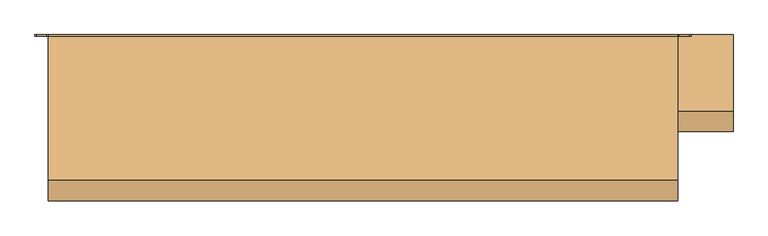
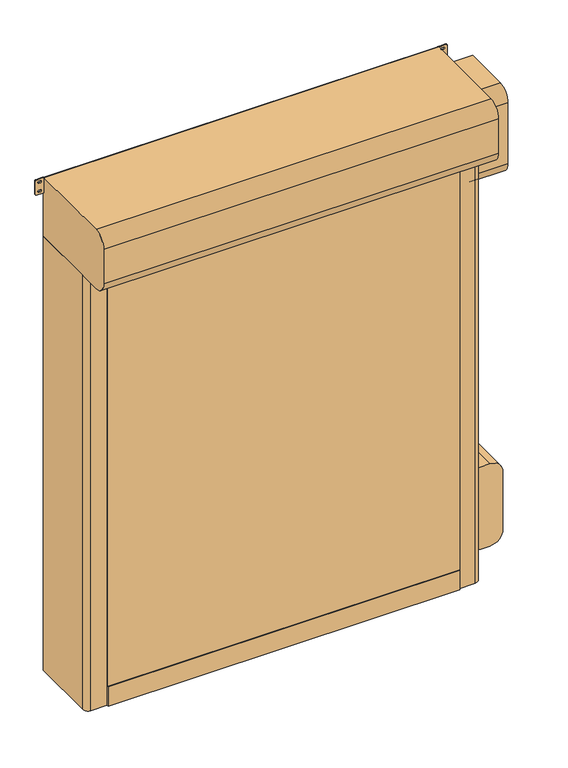
"""IFC4 building model written with IfcOpenShell, lengths in millimetres: door geometry."""

from ifc_helpers import new_model, si_unit, point, frame, frame_2d, origin, origin_with_axes, place, context, project, spatial, polyline, circle_curve, trimmed, segment, composite_curve, outline, extrude, source, transform, mapped, element, save


def door_ffd00a84(model_context):
    return source(origin(), model_context, "Body", "SweptSolid", [
        extrude(outline(polyline([(-1012.0, -421.5), (1012.0, -421.5), (1012.0, -428.5), (-1012.0, -428.5), (-1012.0, -421.5)])), frame((0.0, 0.0, 120.0), z_axis=(0.0, 0.0, 1.0), x_axis=(1.0, 0.0, 0.0)), (0.0, 0.0, 1.0), 2700.0),
        extrude(outline(polyline([(-1012.0, -419.5), (1012.0, -419.5), (1012.0, -430.5), (-1012.0, -430.5), (-1012.0, -419.5)])), origin_with_axes(), (0.0, 0.0, 1.0), 120.0),
        extrude(outline(composite_curve([segment(trimmed(circle_curve(frame_2d((1905.0, 1071.0)), 6.0), [point((1911.0, 1071.0))], [point((1899.0, 1071.0))], False, "CARTESIAN"), True, "CONTINUOUS"), segment(polyline([(1899.0, 1071.0), (1899.0, 1089.0)]), True, "CONTINUOUS"), segment(trimmed(circle_curve(frame_2d((1905.0, 1089.0)), 6.0), [point((1899.0, 1089.0))], [point((1911.0, 1089.0))], False, "CARTESIAN"), True, "CONTINUOUS"), segment(polyline([(1911.0, 1089.0), (1911.0, 1071.0)]), True, "CONTINUOUS")], self_intersect=False)), frame((0.0, -20.0, 0.0), z_axis=(0.0, 1.0, 0.0), x_axis=(0.0, 0.0, 1.0)), (0.0, 0.0, 1.0), 20.0),
        extrude(outline(composite_curve([segment(trimmed(circle_curve(frame_2d((1320.0, 1071.0)), 6.0), [point((1326.0, 1071.0))], [point((1314.0, 1071.0))], False, "CARTESIAN"), True, "CONTINUOUS"), segment(polyline([(1314.0, 1071.0), (1314.0, 1089.0)]), True, "CONTINUOUS"), segment(trimmed(circle_curve(frame_2d((1320.0, 1089.0)), 6.0), [point((1314.0, 1089.0))], [point((1326.0, 1089.0))], False, "CARTESIAN"), True, "CONTINUOUS"), segment(polyline([(1326.0, 1089.0), (1326.0, 1071.0)]), True, "CONTINUOUS")], self_intersect=False)), frame((0.0, -20.0, 0.0), z_axis=(0.0, 1.0, 0.0), x_axis=(0.0, 0.0, 1.0)), (0.0, 0.0, 1.0), 20.0),
        extrude(outline(composite_curve([segment(trimmed(circle_curve(frame_2d((735.0, 1071.0)), 6.0), [point((741.0, 1071.0))], [point((729.0, 1071.0))], False, "CARTESIAN"), True, "CONTINUOUS"), segment(polyline([(729.0, 1071.0), (729.0, 1089.0)]), True, "CONTINUOUS"), segment(trimmed(circle_curve(frame_2d((735.0, 1089.0)), 6.0), [point((729.0, 1089.0))], [point((741.0, 1089.0))], False, "CARTESIAN"), True, "CONTINUOUS"), segment(polyline([(741.0, 1089.0), (741.0, 1071.0)]), True, "CONTINUOUS")], self_intersect=False)), frame((0.0, -20.0, 0.0), z_axis=(0.0, 1.0, 0.0), x_axis=(0.0, 0.0, 1.0)), (0.0, 0.0, 1.0), 20.0),
        extrude(outline(composite_curve([segment(trimmed(circle_curve(frame_2d((2490.0, 1071.0)), 6.0), [point((2496.0, 1071.0))], [point((2484.0, 1071.0))], False, "CARTESIAN"), True, "CONTINUOUS"), segment(polyline([(2484.0, 1071.0), (2484.0, 1089.0)]), True, "CONTINUOUS"), segment(trimmed(circle_curve(frame_2d((2490.0, 1089.0)), 6.0), [point((2484.0, 1089.0))], [point((2496.0, 1089.0))], False, "CARTESIAN"), True, "CONTINUOUS"), segment(polyline([(2496.0, 1089.0), (2496.0, 1071.0)]), True, "CONTINUOUS")], self_intersect=False)), frame((0.0, -20.0, 0.0), z_axis=(0.0, 1.0, 0.0), x_axis=(0.0, 0.0, 1.0)), (0.0, 0.0, 1.0), 20.0),
        extrude(outline(composite_curve([segment(trimmed(circle_curve(frame_2d((150.0, 1071.0)), 6.0), [point((156.0, 1071.0))], [point((144.0, 1071.0))], False, "CARTESIAN"), True, "CONTINUOUS"), segment(polyline([(144.0, 1071.0), (144.0, 1089.0)]), True, "CONTINUOUS"), segment(trimmed(circle_curve(frame_2d((150.0, 1089.0)), 6.0), [point((144.0, 1089.0))], [point((156.0, 1089.0))], False, "CARTESIAN"), True, "CONTINUOUS"), segment(polyline([(156.0, 1089.0), (156.0, 1071.0)]), True, "CONTINUOUS")], self_intersect=False)), frame((0.0, -20.0, 0.0), z_axis=(0.0, 1.0, 0.0), x_axis=(0.0, 0.0, 1.0)), (0.0, 0.0, 1.0), 20.0),
        extrude(outline(composite_curve([segment(polyline([(1911.0, -1071.0), (1911.0, -1089.0)]), True, "CONTINUOUS"), segment(trimmed(circle_curve(frame_2d((1905.0, -1089.0)), 6.0), [point((1911.0, -1089.0))], [point((1899.0, -1089.0))], False, "CARTESIAN"), True, "CONTINUOUS"), segment(polyline([(1899.0, -1089.0), (1899.0, -1071.0)]), True, "CONTINUOUS"), segment(trimmed(circle_curve(frame_2d((1905.0, -1071.0)), 6.0), [point((1899.0, -1071.0))], [point((1911.0, -1071.0))], False, "CARTESIAN"), True, "CONTINUOUS")], self_intersect=False)), frame((0.0, -20.0, 0.0), z_axis=(0.0, 1.0, 0.0), x_axis=(0.0, 0.0, 1.0)), (0.0, 0.0, 1.0), 20.0),
        extrude(outline(composite_curve([segment(polyline([(1326.0, -1071.0), (1326.0, -1089.0)]), True, "CONTINUOUS"), segment(trimmed(circle_curve(frame_2d((1320.0, -1089.0)), 6.0), [point((1326.0, -1089.0))], [point((1314.0, -1089.0))], False, "CARTESIAN"), True, "CONTINUOUS"), segment(polyline([(1314.0, -1089.0), (1314.0, -1071.0)]), True, "CONTINUOUS"), segment(trimmed(circle_curve(frame_2d((1320.0, -1071.0)), 6.0), [point((1314.0, -1071.0))], [point((1326.0, -1071.0))], False, "CARTESIAN"), True, "CONTINUOUS")], self_intersect=False)), frame((0.0, -20.0, 0.0), z_axis=(0.0, 1.0, 0.0), x_axis=(0.0, 0.0, 1.0)), (0.0, 0.0, 1.0), 20.0),
        extrude(outline(composite_curve([segment(polyline([(741.0, -1071.0), (741.0, -1089.0)]), True, "CONTINUOUS"), segment(trimmed(circle_curve(frame_2d((735.0, -1089.0)), 6.0), [point((741.0, -1089.0))], [point((729.0, -1089.0))], False, "CARTESIAN"), True, "CONTINUOUS"), segment(polyline([(729.0, -1089.0), (729.0, -1071.0)]), True, "CONTINUOUS"), segment(trimmed(circle_curve(frame_2d((735.0, -1071.0)), 6.0), [point((729.0, -1071.0))], [point((741.0, -1071.0))], False, "CARTESIAN"), True, "CONTINUOUS")], self_intersect=False)), frame((0.0, -20.0, 0.0), z_axis=(0.0, 1.0, 0.0), x_axis=(0.0, 0.0, 1.0)), (0.0, 0.0, 1.0), 20.0),
        extrude(outline(composite_curve([segment(polyline([(2496.0, -1071.0), (2496.0, -1089.0)]), True, "CONTINUOUS"), segment(trimmed(circle_curve(frame_2d((2490.0, -1089.0)), 6.0), [point((2496.0, -1089.0))], [point((2484.0, -1089.0))], False, "CARTESIAN"), True, "CONTINUOUS"), segment(polyline([(2484.0, -1089.0), (2484.0, -1071.0)]), True, "CONTINUOUS"), segment(trimmed(circle_curve(frame_2d((2490.0, -1071.0)), 6.0), [point((2484.0, -1071.0))], [point((2496.0, -1071.0))], False, "CARTESIAN"), True, "CONTINUOUS")], self_intersect=False)), frame((0.0, -20.0, 0.0), z_axis=(0.0, 1.0, 0.0), x_axis=(0.0, 0.0, 1.0)), (0.0, 0.0, 1.0), 20.0),
        extrude(outline(composite_curve([segment(polyline([(156.0, -1071.0), (156.0, -1089.0)]), True, "CONTINUOUS"), segment(trimmed(circle_curve(frame_2d((150.0, -1089.0)), 6.0), [point((156.0, -1089.0))], [point((144.0, -1089.0))], False, "CARTESIAN"), True, "CONTINUOUS"), segment(polyline([(144.0, -1089.0), (144.0, -1071.0)]), True, "CONTINUOUS"), segment(trimmed(circle_curve(frame_2d((150.0, -1071.0)), 6.0), [point((144.0, -1071.0))], [point((156.0, -1071.0))], False, "CARTESIAN"), True, "CONTINUOUS")], self_intersect=False)), frame((0.0, -20.0, 0.0), z_axis=(0.0, 1.0, 0.0), x_axis=(0.0, 0.0, 1.0)), (0.0, 0.0, 1.0), 20.0),
        extrude(outline(polyline([(-1012.0, -221.5), (1012.0, -221.5), (1012.0, -228.5), (-1012.0, -228.5), (-1012.0, -221.5)])), frame((0.0, 0.0, 120.0), z_axis=(0.0, 0.0, 1.0), x_axis=(1.0, 0.0, 0.0)), (0.0, 0.0, 1.0), 2700.0),
        extrude(outline(polyline([(-1012.0, -219.5), (1012.0, -219.5), (1012.0, -230.5), (-1012.0, -230.5), (-1012.0, -219.5)])), origin_with_axes(), (0.0, 0.0, 1.0), 120.0),
        extrude(outline(composite_curve([segment(polyline([(-1135.0, 0.0), (-1015.0, 0.0), (-1015.0, -209.2857143), (-1035.0, -215.0), (-1000.0, -215.0), (-1000.0, -221.5), (-1020.0, -221.5), (-1020.0, -228.5), (-1000.0, -228.5), (-1000.0, -235.0), (-1035.0, -235.0), (-1035.0, -250.0), (-1005.0, -250.0), (-1005.0, -420.0), (-1105.0, -420.0)]), True, "CONTINUOUS"), segment(trimmed(circle_curve(frame_2d((-1105.0, -390.0)), 30.0), [point((-1105.0, -420.0))], [point((-1135.0, -390.0))], False, "CARTESIAN"), True, "CONTINUOUS"), segment(polyline([(-1135.0, -390.0), (-1135.0, 0.0)]), True, "CONTINUOUS")], self_intersect=False)), origin_with_axes(), (0.0, 0.0, 1.0), 2640.0),
        extrude(outline(composite_curve([segment(polyline([(1135.0, 0.0), (1135.0, -390.0)]), True, "CONTINUOUS"), segment(trimmed(circle_curve(frame_2d((1105.0, -390.0)), 30.0), [point((1135.0, -390.0))], [point((1105.0, -420.0))], False, "CARTESIAN"), True, "CONTINUOUS"), segment(polyline([(1105.0, -420.0), (1005.0, -420.0), (1005.0, -250.0), (1035.0, -250.0), (1035.0, -235.0), (1000.0, -235.0), (1000.0, -228.5), (1020.0, -228.5), (1020.0, -221.5), (1000.0, -221.5), (1000.0, -215.0), (1035.0, -215.0), (1015.0, -209.2857143), (1015.0, 0.0), (1135.0, 0.0)]), True, "CONTINUOUS")], self_intersect=False)), origin_with_axes(), (0.0, 0.0, 1.0), 2640.0),
        extrude(outline(composite_curve([segment(polyline([(600.0, 1260.0), (600.0, 1135.0), (100.0, 1135.0), (100.0, 1260.0)]), True, "CONTINUOUS"), segment(trimmed(circle_curve(frame_2d((175.0, 1260.0)), 75.0), [point((100.0, 1260.0))], [point((175.0, 1335.0))], False, "CARTESIAN"), True, "CONTINUOUS"), segment(polyline([(175.0, 1335.0), (525.0, 1335.0)]), True, "CONTINUOUS"), segment(trimmed(circle_curve(frame_2d((525.0, 1260.0)), 75.0), [point((525.0, 1335.0))], [point((600.0, 1260.0))], False, "CARTESIAN"), True, "CONTINUOUS")], self_intersect=False)), frame((0.0, -300.0, 0.0), z_axis=(0.0, 1.0, 0.0), x_axis=(0.0, 0.0, 1.0)), (0.0, 0.0, 1.0), 200.0),
        extrude(outline(composite_curve([segment(trimmed(circle_curve(frame_2d((2913.75, 1140.75)), 5.75), [point((2913.75, 1135.0))], [point((2908.0, 1140.75))], False, "CARTESIAN"), True, "CONTINUOUS"), segment(polyline([(2908.0, 1140.75), (2908.0, 1178.25)]), True, "CONTINUOUS"), segment(trimmed(circle_curve(frame_2d((2913.75, 1178.25)), 5.75), [point((2908.0, 1178.25))], [point((2913.75, 1184.0))], False, "CARTESIAN"), True, "CONTINUOUS"), segment(polyline([(2913.75, 1184.0), (2994.25, 1184.0)]), True, "CONTINUOUS"), segment(trimmed(circle_curve(frame_2d((2994.25, 1178.25)), 5.75), [point((2994.25, 1184.0))], [point((3000.0, 1178.25))], False, "CARTESIAN"), True, "CONTINUOUS"), segment(polyline([(3000.0, 1178.25), (3000.0, 1140.75)]), True, "CONTINUOUS"), segment(trimmed(circle_curve(frame_2d((2994.25, 1140.75)), 5.75), [point((3000.0, 1140.75))], [point((2994.25, 1135.0))], False, "CARTESIAN"), True, "CONTINUOUS"), segment(polyline([(2994.25, 1135.0), (2913.75, 1135.0)]), True, "CONTINUOUS")], self_intersect=False), holes=[composite_curve([segment(trimmed(circle_curve(frame_2d((2981.5, 1163.75)), 5.75), [point((2987.25, 1163.75))], [point((2975.75, 1163.75))], True, "CARTESIAN"), True, "CONTINUOUS"), segment(polyline([(2975.75, 1163.75), (2975.75, 1155.25)]), True, "CONTINUOUS"), segment(trimmed(circle_curve(frame_2d((2981.5, 1155.25)), 5.75), [point((2975.75, 1155.25))], [point((2987.25, 1155.25))], True, "CARTESIAN"), True, "CONTINUOUS"), segment(polyline([(2987.25, 1155.25), (2987.25, 1163.75)]), True, "CONTINUOUS")], self_intersect=False), composite_curve([segment(trimmed(circle_curve(frame_2d((2926.5, 1163.75)), 5.75), [point((2932.25, 1163.75))], [point((2920.75, 1163.75))], True, "CARTESIAN"), True, "CONTINUOUS"), segment(polyline([(2920.75, 1163.75), (2920.75, 1155.25)]), True, "CONTINUOUS"), segment(trimmed(circle_curve(frame_2d((2926.5, 1155.25)), 5.75), [point((2920.75, 1155.25))], [point((2932.25, 1155.25))], True, "CARTESIAN"), True, "CONTINUOUS"), segment(polyline([(2932.25, 1155.25), (2932.25, 1163.75)]), True, "CONTINUOUS")], self_intersect=False)]), frame((0.0, -5.0, 0.0), z_axis=(0.0, 1.0, 0.0), x_axis=(0.0, 0.0, 1.0)), (0.0, 0.0, 1.0), 5.0),
        extrude(outline(composite_curve([segment(trimmed(circle_curve(frame_2d((2913.75, -1178.25)), 5.75), [point((2913.75, -1184.0))], [point((2908.0, -1178.25))], False, "CARTESIAN"), True, "CONTINUOUS"), segment(polyline([(2908.0, -1178.25), (2908.0, -1140.75)]), True, "CONTINUOUS"), segment(trimmed(circle_curve(frame_2d((2913.75, -1140.75)), 5.75), [point((2908.0, -1140.75))], [point((2913.75, -1135.0))], False, "CARTESIAN"), True, "CONTINUOUS"), segment(polyline([(2913.75, -1135.0), (2994.25, -1135.0)]), True, "CONTINUOUS"), segment(trimmed(circle_curve(frame_2d((2994.25, -1140.75)), 5.75), [point((2994.25, -1135.0))], [point((3000.0, -1140.75))], False, "CARTESIAN"), True, "CONTINUOUS"), segment(polyline([(3000.0, -1140.75), (3000.0, -1178.25)]), True, "CONTINUOUS"), segment(trimmed(circle_curve(frame_2d((2994.25, -1178.25)), 5.75), [point((3000.0, -1178.25))], [point((2994.25, -1184.0))], False, "CARTESIAN"), True, "CONTINUOUS"), segment(polyline([(2994.25, -1184.0), (2913.75, -1184.0)]), True, "CONTINUOUS")], self_intersect=False), holes=[composite_curve([segment(trimmed(circle_curve(frame_2d((2981.5, -1155.25)), 5.75), [point((2987.25, -1155.25))], [point((2975.75, -1155.25))], True, "CARTESIAN"), True, "CONTINUOUS"), segment(polyline([(2975.75, -1155.25), (2975.75, -1163.75)]), True, "CONTINUOUS"), segment(trimmed(circle_curve(frame_2d((2981.5, -1163.75)), 5.75), [point((2975.75, -1163.75))], [point((2987.25, -1163.75))], True, "CARTESIAN"), True, "CONTINUOUS"), segment(polyline([(2987.25, -1163.75), (2987.25, -1155.25)]), True, "CONTINUOUS")], self_intersect=False), composite_curve([segment(trimmed(circle_curve(frame_2d((2926.5, -1155.25)), 5.75), [point((2932.25, -1155.25))], [point((2920.75, -1155.25))], True, "CARTESIAN"), True, "CONTINUOUS"), segment(polyline([(2920.75, -1155.25), (2920.75, -1163.75)]), True, "CONTINUOUS"), segment(trimmed(circle_curve(frame_2d((2926.5, -1163.75)), 5.75), [point((2920.75, -1163.75))], [point((2932.25, -1163.75))], True, "CARTESIAN"), True, "CONTINUOUS"), segment(polyline([(2932.25, -1163.75), (2932.25, -1155.25)]), True, "CONTINUOUS")], self_intersect=False)]), frame((0.0, -5.0, 0.0), z_axis=(0.0, 1.0, 0.0), x_axis=(0.0, 0.0, 1.0)), (0.0, 0.0, 1.0), 5.0),
        extrude(outline(composite_curve([segment(trimmed(circle_curve(frame_2d((-5.0, 2645.0)), 5.0), [point((0.0, 2645.0))], [point((-5.0, 2640.0))], False, "CARTESIAN"), True, "CONTINUOUS"), segment(polyline([(-5.0, 2640.0), (-525.0, 2640.0)]), True, "CONTINUOUS"), segment(trimmed(circle_curve(frame_2d((-525.0, 2715.0)), 75.0), [point((-525.0, 2640.0))], [point((-600.0, 2715.0))], False, "CARTESIAN"), True, "CONTINUOUS"), segment(polyline([(-600.0, 2715.0), (-600.0, 2925.0)]), True, "CONTINUOUS"), segment(trimmed(circle_curve(frame_2d((-525.0, 2925.0)), 75.0), [point((-600.0, 2925.0))], [point((-525.0, 3000.0))], False, "CARTESIAN"), True, "CONTINUOUS"), segment(polyline([(-525.0, 3000.0), (-5.0, 3000.0)]), True, "CONTINUOUS"), segment(trimmed(circle_curve(frame_2d((-5.0, 2995.0)), 5.0), [point((-5.0, 3000.0))], [point((0.0, 2995.0))], False, "CARTESIAN"), True, "CONTINUOUS"), segment(polyline([(0.0, 2995.0), (0.0, 2645.0)]), True, "CONTINUOUS")], self_intersect=False)), frame((-1135.0, 0.0, 0.0), z_axis=(1.0, 0.0, 0.0), x_axis=(0.0, 1.0, 0.0)), (0.0, 0.0, 1.0), 2270.0),
        extrude(outline(composite_curve([segment(polyline([(0.0, 2875.0), (0.0, 2355.0), (-275.0, 2355.0)]), True, "CONTINUOUS"), segment(trimmed(circle_curve(frame_2d((-275.0, 2430.0)), 75.0), [point((-275.0, 2355.0))], [point((-350.0, 2430.0))], False, "CARTESIAN"), True, "CONTINUOUS"), segment(polyline([(-350.0, 2430.0), (-350.0, 2800.0)]), True, "CONTINUOUS"), segment(trimmed(circle_curve(frame_2d((-275.0, 2800.0)), 75.0), [point((-350.0, 2800.0))], [point((-275.0, 2875.0))], False, "CARTESIAN"), True, "CONTINUOUS"), segment(polyline([(-275.0, 2875.0), (0.0, 2875.0)]), True, "CONTINUOUS")], self_intersect=False)), frame((1135.0, 0.0, 0.0), z_axis=(1.0, 0.0, 0.0), x_axis=(0.0, 1.0, 0.0)), (0.0, 0.0, 1.0), 200.0),
    ])


if __name__ == "__main__":
    model = new_model("IFC4")
    model_context = context("Model", 3, world=origin())
    ifc_project = project(units=[si_unit("LENGTHUNIT", "METRE", prefix="MILLI")], contexts=[model_context])
    site = spatial("IfcSite", under=ifc_project)
    building = spatial("IfcBuilding", under=site)
    placement = place(None, origin())
    door_shape = door_ffd00a84(model_context)
    element("IfcDoor", 1, at=placement, inside=building, context=model_context, shape_type="MappedRepresentation", body=[
        mapped(door_shape, transform((0.0, 0.0, 0.0), x_axis=(1.0, 0.0, 0.0), y_axis=(0.0, 1.0, 0.0), z_axis=(0.0, 0.0, 1.0))),
    ])
    save(model, "model.ifc")
